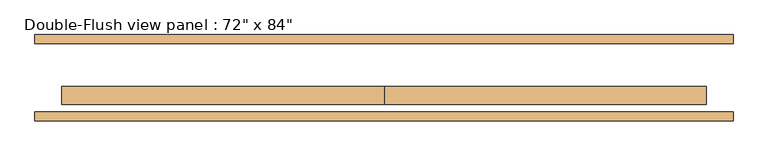
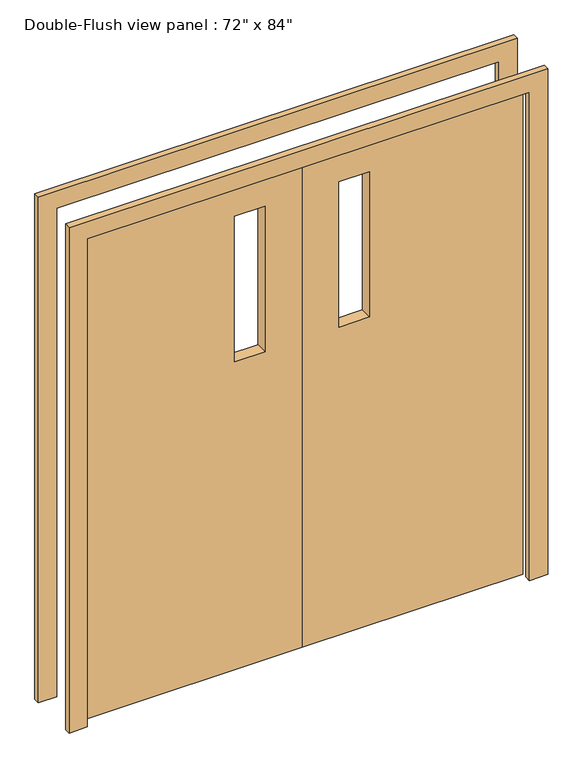
"""IFC4 building model written with IfcOpenShell, lengths in millimetres: door geometry."""

from ifc_helpers import new_model, si_unit, frame, origin, place, context, project, spatial, polyline, outline, extrude, source, transform, mapped, element, save


def door_d06565c9(model_context):
    return source(origin(), model_context, "Body", "SweptSolid", [
        extrude(outline(polyline([(2133.6, 0.0), (2133.6, -914.4), (0.0, -914.4), (0.0, 0.0), (2133.6, 0.0)]), holes=[polyline([(1981.2, -279.4), (1981.2, -152.4), (1346.2, -152.4), (1346.2, -279.4), (1981.2, -279.4)])]), frame((0.0, -76.2, 0.0), z_axis=(0.0, 1.0, 0.0), x_axis=(0.0, 0.0, 1.0)), (0.0, 0.0, 1.0), 50.8),
        extrude(outline(polyline([(2133.6, 0.0), (0.0, 0.0), (0.0, 914.4), (2133.6, 914.4), (2133.6, 0.0)]), holes=[polyline([(1981.2, 279.4), (1346.2, 279.4), (1346.2, 152.4), (1981.2, 152.4), (1981.2, 279.4)])]), frame((0.0, -76.2, 0.0), z_axis=(0.0, 1.0, 0.0), x_axis=(0.0, 0.0, 1.0)), (0.0, 0.0, 1.0), 50.8),
        extrude(outline(polyline([(2133.6, -914.4), (2133.6, 914.4), (0.0, 914.4), (0.0, 990.6), (2209.8, 990.6), (2209.8, -990.6), (0.0, -990.6), (0.0, -914.4), (2133.6, -914.4)])), frame((0.0, 96.8375, 0.0), z_axis=(0.0, 1.0, 0.0), x_axis=(0.0, 0.0, 1.0)), (0.0, 0.0, 1.0), 25.4),
        extrude(outline(polyline([(2133.6, -914.4), (2133.6, 914.4), (0.0, 914.4), (0.0, 990.6), (2209.8, 990.6), (2209.8, -990.6), (0.0, -990.6), (0.0, -914.4), (2133.6, -914.4)])), frame((0.0, -122.2375, 0.0), z_axis=(0.0, 1.0, 0.0), x_axis=(0.0, 0.0, 1.0)), (0.0, 0.0, 1.0), 25.4),
    ])


if __name__ == "__main__":
    model = new_model("IFC4")
    model_context = context("Model", 3, world=origin())
    ifc_project = project(units=[si_unit("LENGTHUNIT", "METRE", prefix="MILLI")], contexts=[model_context])
    site = spatial("IfcSite", under=ifc_project)
    building = spatial("IfcBuilding", under=site)
    placement = place(None, origin())
    door_shape = door_d06565c9(model_context)
    element("IfcDoor", 1, ObjectType="Double-Flush view panel : 72\" x 84\"", at=placement, inside=building, context=model_context, shape_type="MappedRepresentation", body=[
        mapped(door_shape, transform((0.0, 0.0, 0.0), x_axis=(1.0, 0.0, 0.0), y_axis=(0.0, 1.0, 0.0), z_axis=(0.0, 0.0, 1.0))),
    ])
    save(model, "model.ifc")
